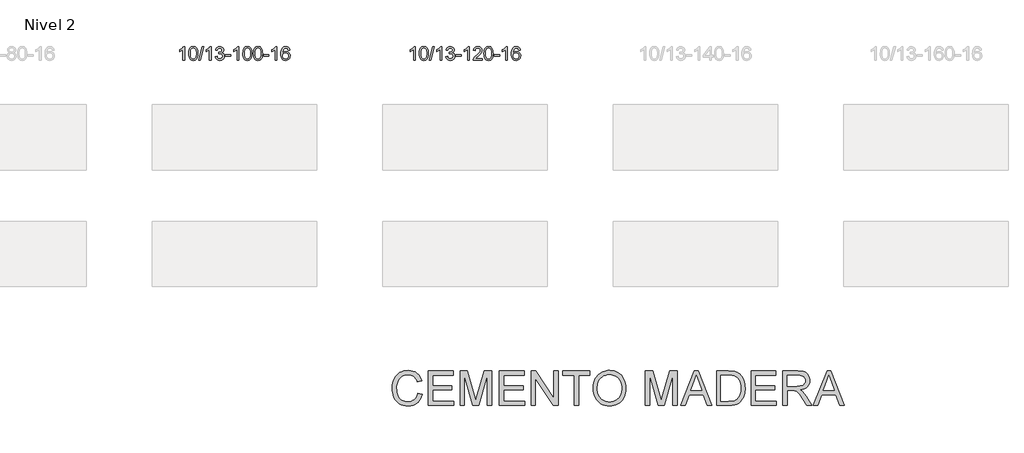
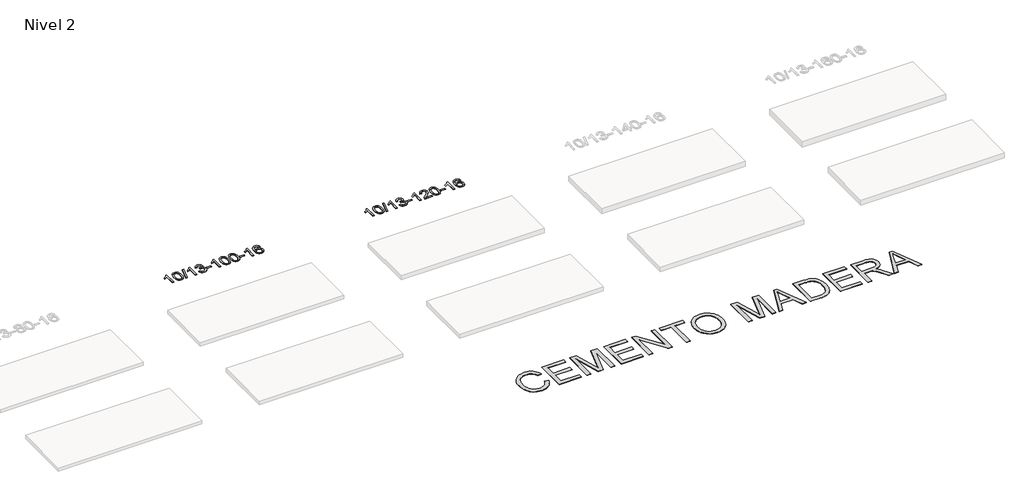
# One storey, part 23 of 51: 3 proxies.
"""IFC4 building model written with IfcOpenShell, lengths in millimetres."""

from ifc_helpers import new_model, si_unit, frame, origin, place, context, project, spatial, polyline, outline, extrude, element, save

model = new_model("IFC4")

# Units and contexts
model_context = context("Model", 3, world=origin())
ifc_project = project(units=[si_unit("LENGTHUNIT", "METRE", prefix="MILLI")], contexts=[model_context])

# Site, building, storey
site = spatial("IfcSite", under=ifc_project)
building = spatial("IfcBuilding", under=site)
storey = spatial("IfcBuildingStorey", under=building, Name="Nivel 2", Elevation=3000.0)

# Proxies
placement = place(None, origin())
element("IfcBuildingElementProxy", 1, Name="Texto de modelo 1", ObjectType="Texto de modelo 1", at=placement, inside=storey, context=model_context, shape_type="SweptSolid", body=[
    extrude(outline(polyline([(17714.5438724, -117522.2088613), (17664.3157174, -117522.2088613), (17664.3157174, -117209.067707), (17643.3464436, -117226.027067), (17616.7363126, -117242.9619015), (17563.8594072, -117268.3212337), (17563.8594072, -117220.8399309), (17603.3086198, -117199.3801478), (17637.4848572, -117173.8491374), (17664.4260819, -117146.6994461), (17682.1702568, -117120.3836207), (17714.5438724, -117120.3836207), (17714.5438724, -117522.2088613)])), frame((0.0, 0.0, 3000.0), z_axis=(0.0, 0.0, 1.0), x_axis=(1.0, 0.0, 0.0)), (0.0, 0.0, 1.0), 10.0),
    extrude(outline(polyline([(17833.8357407, -117324.5336026), (17837.5268234, -117260.2155671), (17848.6000715, -117208.9205542), (17866.9451203, -117169.8637491), (17878.8031833, -117154.6303688), (17892.4516053, -117142.2603367), (17907.9363716, -117132.6892735), (17925.3034675, -117125.8527997), (17965.6846478, -117120.3836207), (17996.6357863, -117123.6209823), (18024.3495633, -117133.333067), (18047.526129, -117149.13973), (18064.8656337, -117170.6608267), (18077.9622327, -117197.7124161), (18088.4100814, -117230.1105572), (18095.2526865, -117271.252027), (18097.5335549, -117324.5336026), (18093.8792604, -117388.4837561), (18082.9163769, -117439.6561416), (18064.6816927, -117478.749735), (18052.8512209, -117494.0291005), (18039.2119959, -117506.4635119), (18023.7088355, -117516.0989545), (18006.2865573, -117522.9814135), (17965.6846478, -117528.4873807), (17938.0199218, -117526.0961478), (17913.4944554, -117518.9224488), (17892.1082488, -117506.966284), (17873.8613018, -117490.2276532), (17856.3501188, -117459.9693591), (17843.842131, -117422.267586), (17836.3373383, -117377.1223338), (17833.8357407, -117324.5336026)]), holes=[polyline([(17884.0638958, -117324.4355007), (17885.5354238, -117368.1000279), (17889.9500077, -117403.4442906), (17897.3076476, -117430.4682888), (17907.6083435, -117449.1720226), (17920.0672804, -117461.8976739), (17933.8996434, -117470.9874249), (17949.1054325, -117476.4412755), (17965.6846478, -117478.2592256), (17982.263863, -117476.4351441), (17997.4696522, -117470.9628994), (18011.3020152, -117461.8424916), (18023.7609521, -117449.0739207), (18034.061648, -117430.3395301), (18041.4192879, -117403.3216632), (18045.8338718, -117368.0203201), (18047.3053998, -117324.4355007), (18045.8829227, -117281.9267362), (18041.6154916, -117247.2048072), (18034.5031064, -117220.2697138), (18024.545767, -117201.1214559), (18012.2952966, -117187.7734709), (17998.303518, -117178.2391958), (17982.5704314, -117172.5186308), (17965.0960366, -117170.6117758), (17948.6026605, -117172.2917703), (17933.6543888, -117177.3317536), (17920.2512214, -117185.7317258), (17908.3931584, -117197.4916869), (17897.749106, -117218.3383333), (17890.1462115, -117246.4445178), (17885.5844747, -117281.8102402), (17884.0638958, -117324.4355007)])]), frame((0.0, 0.0, 3000.0), z_axis=(0.0, 0.0, 1.0), x_axis=(1.0, 0.0, 0.0)), (0.0, 0.0, 1.0), 10.0),
    extrude(outline(polyline([(18116.369113, -117522.2088613), (18229.3824619, -117120.3836207), (18274.7055237, -117120.3836207), (18161.6921748, -117522.2088613), (18116.369113, -117522.2088613)])), frame((0.0, 0.0, 3000.0), z_axis=(0.0, 0.0, 1.0), x_axis=(1.0, 0.0, 0.0)), (0.0, 0.0, 1.0), 10.0),
    extrude(outline(polyline([(18486.8017567, -117522.2088613), (18436.5736016, -117522.2088613), (18436.5736016, -117209.067707), (18415.6043279, -117226.027067), (18388.9941969, -117242.9619015), (18336.1172915, -117268.3212337), (18336.1172915, -117220.8399309), (18375.5665041, -117199.3801478), (18409.7427414, -117173.8491374), (18436.6839662, -117146.6994461), (18454.4281411, -117120.3836207), (18486.8017567, -117120.3836207), (18486.8017567, -117522.2088613)])), frame((0.0, 0.0, 3000.0), z_axis=(0.0, 0.0, 1.0), x_axis=(1.0, 0.0, 0.0)), (0.0, 0.0, 1.0), 10.0),
    extrude(outline(polyline([(18606.093625, -117415.4740318), (18656.3217801, -117409.1955124), (18667.5667064, -117440.7597876), (18684.035557, -117462.0724179), (18706.5376724, -117474.2125237), (18735.8823929, -117478.2592256), (18770.3161476, -117472.6919448), (18784.5899691, -117465.7328437), (18796.9017532, -117455.9901022), (18813.8979013, -117431.0722284), (18819.5632841, -117400.8568539), (18813.9469523, -117372.174321), (18797.0979569, -117348.9119161), (18771.5914719, -117333.4976605), (18740.0026712, -117328.3595753), (18704.7841016, -117333.8532798), (18710.3759079, -117283.6251247), (18718.4202609, -117284.2137359), (18748.5130081, -117280.6084924), (18775.4174446, -117269.7927617), (18786.4906927, -117261.6135187), (18794.4001556, -117251.4967638), (18799.1458333, -117239.4424971), (18800.7277259, -117225.4507186), (18796.1414637, -117203.7579436), (18782.3826771, -117186.1609215), (18761.3888779, -117174.4990622), (18735.097578, -117170.6117758), (18708.7572271, -117174.5358504), (18687.2238677, -117186.3080743), (18671.5030437, -117205.9284474), (18662.6002995, -117233.3969697), (18612.3721444, -117227.1184503), (18618.3257013, -117203.1386756), (18627.1610006, -117182.0161177), (18638.8780421, -117163.7507766), (18653.476826, -117148.3426524), (18670.4974996, -117136.110576), (18689.4802106, -117127.3733786), (18710.4249588, -117122.1310602), (18733.3317444, -117120.3836207), (18764.9082823, -117123.8294488), (18793.9096463, -117134.1669328), (18818.3615362, -117150.4763679), (18836.2896521, -117171.8380491), (18847.2893238, -117196.4493546), (18850.955881, -117222.5076626), (18847.4732648, -117246.7878743), (18837.0254161, -117268.8117431), (18819.7594878, -117287.5737248), (18795.8226326, -117302.0682754), (18827.2642805, -117314.772467), (18850.5634735, -117336.4039283), (18864.9844477, -117365.785437), (18869.7914391, -117401.7397707), (18867.3879434, -117427.2217302), (18860.1774563, -117450.6926015), (18848.1599778, -117472.1523845), (18831.3355079, -117491.6010793), (18810.8383494, -117507.7388362), (18787.8028052, -117519.2658054), (18762.2288751, -117526.1819869), (18734.1165593, -117528.4873807), (18708.7081762, -117526.519212), (18685.556136, -117520.614706), (18664.6604386, -117510.7738627), (18646.0210842, -117496.9966819), (18630.3922308, -117480.0925043), (18618.5280364, -117460.87067), (18610.4285012, -117439.3311792), (18606.093625, -117415.4740318)])), frame((0.0, 0.0, 3000.0), z_axis=(0.0, 0.0, 1.0), x_axis=(1.0, 0.0, 0.0)), (0.0, 0.0, 1.0), 10.0),
    extrude(outline(polyline([(18901.1840361, -117402.916993), (18901.1840361, -117352.688838), (19058.1470207, -117352.688838), (19058.1470207, -117402.916993), (18901.1840361, -117402.916993)])), frame((0.0, 0.0, 3000.0), z_axis=(0.0, 0.0, 1.0), x_axis=(1.0, 0.0, 0.0)), (0.0, 0.0, 1.0), 10.0),
    extrude(outline(polyline([(19290.4522379, -117522.2088613), (19240.2240828, -117522.2088613), (19240.2240828, -117209.067707), (19219.2548091, -117226.027067), (19192.6446781, -117242.9619015), (19139.7677727, -117268.3212337), (19139.7677727, -117220.8399309), (19179.2169853, -117199.3801478), (19213.3932226, -117173.8491374), (19240.3344474, -117146.6994461), (19258.0786223, -117120.3836207), (19290.4522379, -117120.3836207), (19290.4522379, -117522.2088613)])), frame((0.0, 0.0, 3000.0), z_axis=(0.0, 0.0, 1.0), x_axis=(1.0, 0.0, 0.0)), (0.0, 0.0, 1.0), 10.0),
    extrude(outline(polyline([(19409.7441062, -117324.5336026), (19413.4351889, -117260.2155671), (19424.5084369, -117208.9205542), (19442.8534858, -117169.8637491), (19454.7115487, -117154.6303688), (19468.3599708, -117142.2603367), (19483.8447371, -117132.6892735), (19501.2118329, -117125.8527997), (19541.5930133, -117120.3836207), (19572.5441518, -117123.6209823), (19600.2579288, -117133.333067), (19623.4344945, -117149.13973), (19640.7739992, -117170.6608267), (19653.8705982, -117197.7124161), (19664.3184469, -117230.1105572), (19671.161052, -117271.252027), (19673.4419203, -117324.5336026), (19669.7876259, -117388.4837561), (19658.8247424, -117439.6561416), (19640.5900582, -117478.749735), (19628.7595863, -117494.0291005), (19615.1203614, -117506.4635119), (19599.617201, -117516.0989545), (19582.1949228, -117522.9814135), (19541.5930133, -117528.4873807), (19513.9282872, -117526.0961478), (19489.4028209, -117518.9224488), (19468.0166142, -117506.966284), (19449.7696673, -117490.2276532), (19432.2584843, -117459.9693591), (19419.7504965, -117422.267586), (19412.2457038, -117377.1223338), (19409.7441062, -117324.5336026)]), holes=[polyline([(19459.9722613, -117324.4355007), (19461.4437893, -117368.1000279), (19465.8583732, -117403.4442906), (19473.2160131, -117430.4682888), (19483.516709, -117449.1720226), (19495.9756459, -117461.8976739), (19509.8080089, -117470.9874249), (19525.013798, -117476.4412755), (19541.5930133, -117478.2592256), (19558.1722285, -117476.4351441), (19573.3780177, -117470.9628994), (19587.2103807, -117461.8424916), (19599.6693176, -117449.0739207), (19609.9700134, -117430.3395301), (19617.3276533, -117403.3216632), (19621.7422373, -117368.0203201), (19623.2137653, -117324.4355007), (19621.7912882, -117281.9267362), (19617.5238571, -117247.2048072), (19610.4114718, -117220.2697138), (19600.4541325, -117201.1214559), (19588.2036621, -117187.7734709), (19574.2118835, -117178.2391958), (19558.4787968, -117172.5186308), (19541.0044021, -117170.6117758), (19524.511026, -117172.2917703), (19509.5627542, -117177.3317536), (19496.1595869, -117185.7317258), (19484.3015239, -117197.4916869), (19473.6574715, -117218.3383333), (19466.0545769, -117246.4445178), (19461.4928402, -117281.8102402), (19459.9722613, -117324.4355007)])]), frame((0.0, 0.0, 3000.0), z_axis=(0.0, 0.0, 1.0), x_axis=(1.0, 0.0, 0.0)), (0.0, 0.0, 1.0), 10.0),
    extrude(outline(polyline([(19717.391556, -117324.5336026), (19721.0826387, -117260.2155671), (19732.1558868, -117208.9205542), (19750.5009356, -117169.8637491), (19762.3589986, -117154.6303688), (19776.0074206, -117142.2603367), (19791.4921869, -117132.6892735), (19808.8592828, -117125.8527997), (19849.2404631, -117120.3836207), (19880.1916016, -117123.6209823), (19907.9053786, -117133.333067), (19931.0819443, -117149.13973), (19948.421449, -117170.6608267), (19961.518048, -117197.7124161), (19971.9658967, -117230.1105572), (19978.8085018, -117271.252027), (19981.0893702, -117324.5336026), (19977.4350757, -117388.4837561), (19966.4721922, -117439.6561416), (19948.237508, -117478.749735), (19936.4070362, -117494.0291005), (19922.7678112, -117506.4635119), (19907.2646508, -117516.0989545), (19889.8423726, -117522.9814135), (19849.2404631, -117528.4873807), (19821.5757371, -117526.0961478), (19797.0502707, -117518.9224488), (19775.6640641, -117506.966284), (19757.4171171, -117490.2276532), (19739.9059341, -117459.9693591), (19727.3979463, -117422.267586), (19719.8931536, -117377.1223338), (19717.391556, -117324.5336026)]), holes=[polyline([(19767.6197111, -117324.4355007), (19769.0912391, -117368.1000279), (19773.505823, -117403.4442906), (19780.8634629, -117430.4682888), (19791.1641588, -117449.1720226), (19803.6230957, -117461.8976739), (19817.4554587, -117470.9874249), (19832.6612479, -117476.4412755), (19849.2404631, -117478.2592256), (19865.8196784, -117476.4351441), (19881.0254675, -117470.9628994), (19894.8578305, -117461.8424916), (19907.3167674, -117449.0739207), (19917.6174633, -117430.3395301), (19924.9751032, -117403.3216632), (19929.3896871, -117368.0203201), (19930.8612151, -117324.4355007), (19929.4387381, -117281.9267362), (19925.1713069, -117247.2048072), (19918.0589217, -117220.2697138), (19908.1015823, -117201.1214559), (19895.8511119, -117187.7734709), (19881.8593333, -117178.2391958), (19866.1262467, -117172.5186308), (19848.6518519, -117170.6117758), (19832.1584758, -117172.2917703), (19817.2102041, -117177.3317536), (19803.8070367, -117185.7317258), (19791.9489737, -117197.4916869), (19781.3049213, -117218.3383333), (19773.7020268, -117246.4445178), (19769.14029, -117281.8102402), (19767.6197111, -117324.4355007)])]), frame((0.0, 0.0, 3000.0), z_axis=(0.0, 0.0, 1.0), x_axis=(1.0, 0.0, 0.0)), (0.0, 0.0, 1.0), 10.0),
    extrude(outline(polyline([(20012.4819671, -117402.916993), (20012.4819671, -117352.688838), (20169.4449517, -117352.688838), (20169.4449517, -117402.916993), (20012.4819671, -117402.916993)])), frame((0.0, 0.0, 3000.0), z_axis=(0.0, 0.0, 1.0), x_axis=(1.0, 0.0, 0.0)), (0.0, 0.0, 1.0), 10.0),
    extrude(outline(polyline([(20401.7501689, -117522.2088613), (20351.5220139, -117522.2088613), (20351.5220139, -117209.067707), (20330.5527401, -117226.027067), (20303.9426091, -117242.9619015), (20251.0657037, -117268.3212337), (20251.0657037, -117220.8399309), (20290.5149163, -117199.3801478), (20324.6911537, -117173.8491374), (20351.6323785, -117146.6994461), (20369.3765534, -117120.3836207), (20401.7501689, -117120.3836207), (20401.7501689, -117522.2088613)])), frame((0.0, 0.0, 3000.0), z_axis=(0.0, 0.0, 1.0), x_axis=(1.0, 0.0, 0.0)), (0.0, 0.0, 1.0), 10.0),
    extrude(outline(polyline([(20778.461332, -117227.1184503), (20728.2331769, -117233.3969697), (20720.139773, -117208.5036213), (20709.201415, -117191.5074731), (20686.4172568, -117175.8357001), (20658.8751581, -117170.6117758), (20635.5269141, -117173.6529336), (20613.5520963, -117182.7764071), (20594.6797499, -117201.99211), (20579.2654943, -117228.4428255), (20568.8544339, -117265.8564244), (20564.9916729, -117317.9607776), (20585.1393435, -117294.4531181), (20609.2846651, -117277.8861656), (20636.0787371, -117268.0637163), (20664.1726588, -117264.7895666), (20688.3057177, -117267.0275154), (20710.5748411, -117273.7413618), (20730.9800291, -117284.9311058), (20749.5212817, -117300.5967474), (20764.9294059, -117319.806319), (20775.935209, -117341.6278526), (20782.5386908, -117366.0613485), (20784.7398514, -117393.1068065), (20780.5950476, -117429.0734029), (20768.1606361, -117462.4157744), (20748.4666866, -117490.6936371), (20722.5432687, -117511.4667071), (20691.5676047, -117524.2322123), (20656.7169171, -117528.4873807), (20626.7743883, -117525.6669521), (20599.731996, -117517.2056662), (20575.5897401, -117503.1035231), (20554.3476205, -117483.3605226), (20537.0295756, -117457.1427991), (20524.6595435, -117423.6164866), (20517.2375243, -117382.7815852), (20514.7635178, -117334.6380947), (20517.5103701, -117280.6636747), (20525.7509268, -117234.5987175), (20539.4851879, -117196.4432232), (20558.7131535, -117166.1971919), (20579.5536686, -117146.1537545), (20603.7173843, -117131.8370135), (20631.2043007, -117123.2469689), (20662.0144178, -117120.3836207), (20685.1480639, -117122.1555857), (20706.0866808, -117127.4714805), (20724.8302685, -117136.3313052), (20741.3788269, -117148.7350598), (20755.2847663, -117164.2658114), (20766.100497, -117182.506627), (20773.8260188, -117203.4575066), (20778.461332, -117227.1184503)]), holes=[polyline([(20564.9916729, -117392.3219916), (20567.8979407, -117414.5788523), (20576.616744, -117435.8301689), (20590.1548014, -117454.1016413), (20607.5188316, -117467.4189695), (20628.4758426, -117475.5491616), (20652.7928424, -117478.2592256), (20685.9390102, -117472.6428939), (20699.8541467, -117465.6224791), (20711.9973182, -117455.7938985), (20721.8473586, -117443.5556908), (20728.8831018, -117429.3063948), (20734.5116963, -117394.7745382), (20728.9566782, -117361.6283704), (20722.0129055, -117348.0075396), (20712.2916238, -117336.3548774), (20700.1116641, -117327.0198717), (20685.7918574, -117320.3520106), (20650.7327033, -117315.0177217), (20617.6355864, -117320.3520106), (20589.9585977, -117336.3548774), (20579.0355681, -117347.8542554), (20571.2334041, -117361.0152338), (20566.5521057, -117375.8378125), (20564.9916729, -117392.3219916)])]), frame((0.0, 0.0, 3000.0), z_axis=(0.0, 0.0, 1.0), x_axis=(1.0, 0.0, 0.0)), (0.0, 0.0, 1.0), 10.0),
])
element("IfcBuildingElementProxy", 2, Name="Texto de modelo 1", ObjectType="Texto de modelo 1", at=placement, inside=storey, context=model_context, shape_type="SweptSolid", body=[
    extrude(outline(polyline([(24429.4844072, -117522.2088613), (24379.2562522, -117522.2088613), (24379.2562522, -117209.067707), (24358.2869784, -117226.027067), (24331.6768475, -117242.9619015), (24278.799942, -117268.3212337), (24278.799942, -117220.8399309), (24318.2491546, -117199.3801478), (24352.425392, -117173.8491374), (24379.3666168, -117146.6994461), (24397.1107917, -117120.3836207), (24429.4844072, -117120.3836207), (24429.4844072, -117522.2088613)])), frame((0.0, 0.0, 3000.0), z_axis=(0.0, 0.0, 1.0), x_axis=(1.0, 0.0, 0.0)), (0.0, 0.0, 1.0), 10.0),
    extrude(outline(polyline([(24548.7762756, -117324.5336026), (24552.4673582, -117260.2155671), (24563.5406063, -117208.9205542), (24581.8856551, -117169.8637491), (24593.7437181, -117154.6303688), (24607.3921401, -117142.2603367), (24622.8769064, -117132.6892735), (24640.2440023, -117125.8527997), (24680.6251826, -117120.3836207), (24711.5763212, -117123.6209823), (24739.2900981, -117133.333067), (24762.4666638, -117149.13973), (24779.8061685, -117170.6608267), (24792.9027676, -117197.7124161), (24803.3506162, -117230.1105572), (24810.1932213, -117271.252027), (24812.4740897, -117324.5336026), (24808.8197952, -117388.4837561), (24797.8569118, -117439.6561416), (24779.6222275, -117478.749735), (24767.7917557, -117494.0291005), (24754.1525307, -117506.4635119), (24738.6493703, -117516.0989545), (24721.2270922, -117522.9814135), (24680.6251826, -117528.4873807), (24652.9604566, -117526.0961478), (24628.4349902, -117518.9224488), (24607.0487836, -117506.966284), (24588.8018366, -117490.2276532), (24571.2906537, -117459.9693591), (24558.7826658, -117422.267586), (24551.2778731, -117377.1223338), (24548.7762756, -117324.5336026)]), holes=[polyline([(24599.0044306, -117324.4355007), (24600.4759586, -117368.1000279), (24604.8905425, -117403.4442906), (24612.2481825, -117430.4682888), (24622.5488783, -117449.1720226), (24635.0078152, -117461.8976739), (24648.8401782, -117470.9874249), (24664.0459674, -117476.4412755), (24680.6251826, -117478.2592256), (24697.2043979, -117476.4351441), (24712.410187, -117470.9628994), (24726.24255, -117461.8424916), (24738.7014869, -117449.0739207), (24749.0021828, -117430.3395301), (24756.3598227, -117403.3216632), (24760.7744066, -117368.0203201), (24762.2459346, -117324.4355007), (24760.8234576, -117281.9267362), (24756.5560264, -117247.2048072), (24749.4436412, -117220.2697138), (24739.4863019, -117201.1214559), (24727.2358314, -117187.7734709), (24713.2440529, -117178.2391958), (24697.5109662, -117172.5186308), (24680.0365714, -117170.6117758), (24663.5431953, -117172.2917703), (24648.5949236, -117177.3317536), (24635.1917562, -117185.7317258), (24623.3336932, -117197.4916869), (24612.6896408, -117218.3383333), (24605.0867463, -117246.4445178), (24600.5250095, -117281.8102402), (24599.0044306, -117324.4355007)])]), frame((0.0, 0.0, 3000.0), z_axis=(0.0, 0.0, 1.0), x_axis=(1.0, 0.0, 0.0)), (0.0, 0.0, 1.0), 10.0),
    extrude(outline(polyline([(24831.3096478, -117522.2088613), (24944.3229968, -117120.3836207), (24989.6460586, -117120.3836207), (24876.6327097, -117522.2088613), (24831.3096478, -117522.2088613)])), frame((0.0, 0.0, 3000.0), z_axis=(0.0, 0.0, 1.0), x_axis=(1.0, 0.0, 0.0)), (0.0, 0.0, 1.0), 10.0),
    extrude(outline(polyline([(25201.7422915, -117522.2088613), (25151.5141364, -117522.2088613), (25151.5141364, -117209.067707), (25130.5448627, -117226.027067), (25103.9347317, -117242.9619015), (25051.0578263, -117268.3212337), (25051.0578263, -117220.8399309), (25090.5070389, -117199.3801478), (25124.6832763, -117173.8491374), (25151.624501, -117146.6994461), (25169.3686759, -117120.3836207), (25201.7422915, -117120.3836207), (25201.7422915, -117522.2088613)])), frame((0.0, 0.0, 3000.0), z_axis=(0.0, 0.0, 1.0), x_axis=(1.0, 0.0, 0.0)), (0.0, 0.0, 1.0), 10.0),
    extrude(outline(polyline([(25321.0341598, -117415.4740318), (25371.2623149, -117409.1955124), (25382.5072412, -117440.7597876), (25398.9760919, -117462.0724179), (25421.4782072, -117474.2125237), (25450.8229277, -117478.2592256), (25485.2566825, -117472.6919448), (25499.5305039, -117465.7328437), (25511.842288, -117455.9901022), (25528.8384362, -117431.0722284), (25534.5038189, -117400.8568539), (25528.8874871, -117372.174321), (25512.0384917, -117348.9119161), (25486.5320067, -117333.4976605), (25454.9432061, -117328.3595753), (25419.7246364, -117333.8532798), (25425.3164427, -117283.6251247), (25433.3607957, -117284.2137359), (25463.4535429, -117280.6084924), (25490.3579795, -117269.7927617), (25501.4312275, -117261.6135187), (25509.3406904, -117251.4967638), (25514.0863682, -117239.4424971), (25515.6682607, -117225.4507186), (25511.0819985, -117203.7579436), (25497.3232119, -117186.1609215), (25476.3294127, -117174.4990622), (25450.0381128, -117170.6117758), (25423.6977619, -117174.5358504), (25402.1644025, -117186.3080743), (25386.4435786, -117205.9284474), (25377.5408343, -117233.3969697), (25327.3126792, -117227.1184503), (25333.2662362, -117203.1386756), (25342.1015354, -117182.0161177), (25353.818577, -117163.7507766), (25368.4173608, -117148.3426524), (25385.4380344, -117136.110576), (25404.4207454, -117127.3733786), (25425.3654937, -117122.1310602), (25448.2722792, -117120.3836207), (25479.8488171, -117123.8294488), (25508.8501811, -117134.1669328), (25533.302071, -117150.4763679), (25551.2301869, -117171.8380491), (25562.2298586, -117196.4493546), (25565.8964158, -117222.5076626), (25562.4137996, -117246.7878743), (25551.9659509, -117268.8117431), (25534.7000226, -117287.5737248), (25510.7631675, -117302.0682754), (25542.2048153, -117314.772467), (25565.5040084, -117336.4039283), (25579.9249826, -117365.785437), (25584.731974, -117401.7397707), (25582.3284783, -117427.2217302), (25575.1179912, -117450.6926015), (25563.1005127, -117472.1523845), (25546.2760427, -117491.6010793), (25525.7788842, -117507.7388362), (25502.74334, -117519.2658054), (25477.1694099, -117526.1819869), (25449.0570941, -117528.4873807), (25423.648711, -117526.519212), (25400.4966708, -117520.614706), (25379.6009735, -117510.7738627), (25360.961619, -117496.9966819), (25345.3327656, -117480.0925043), (25333.4685713, -117460.87067), (25325.369036, -117439.3311792), (25321.0341598, -117415.4740318)])), frame((0.0, 0.0, 3000.0), z_axis=(0.0, 0.0, 1.0), x_axis=(1.0, 0.0, 0.0)), (0.0, 0.0, 1.0), 10.0),
    extrude(outline(polyline([(25616.1245709, -117402.916993), (25616.1245709, -117352.688838), (25773.0875555, -117352.688838), (25773.0875555, -117402.916993), (25616.1245709, -117402.916993)])), frame((0.0, 0.0, 3000.0), z_axis=(0.0, 0.0, 1.0), x_axis=(1.0, 0.0, 0.0)), (0.0, 0.0, 1.0), 10.0),
    extrude(outline(polyline([(26005.3927727, -117522.2088613), (25955.1646176, -117522.2088613), (25955.1646176, -117209.067707), (25934.1953439, -117226.027067), (25907.5852129, -117242.9619015), (25854.7083075, -117268.3212337), (25854.7083075, -117220.8399309), (25894.1575201, -117199.3801478), (25928.3337575, -117173.8491374), (25955.2749822, -117146.6994461), (25973.0191571, -117120.3836207), (26005.3927727, -117120.3836207), (26005.3927727, -117522.2088613)])), frame((0.0, 0.0, 3000.0), z_axis=(0.0, 0.0, 1.0), x_axis=(1.0, 0.0, 0.0)), (0.0, 0.0, 1.0), 10.0),
    extrude(outline(polyline([(26382.1039358, -117471.9807063), (26382.1039358, -117522.2088613), (26118.4061216, -117522.2088613), (26119.5097676, -117504.5260001), (26123.8017242, -117487.5789029), (26136.1870847, -117460.5150507), (26154.3114044, -117434.260539), (26180.5291279, -117406.779754), (26217.1947001, -117376.0370819), (26271.3959807, -117327.8935915), (26303.9167491, -117292.3561908), (26320.1771333, -117263.5142423), (26325.5972613, -117235.4571088), (26320.4837016, -117210.3062431), (26305.1430224, -117189.398283), (26281.5617865, -117175.3084026), (26251.7265567, -117170.6117758), (26220.3952734, -117175.198038), (26196.0537481, -117188.9568246), (26180.3451869, -117210.8090152), (26174.9127961, -117239.675489), (26124.684641, -117233.3969697), (26129.0041888, -117207.4674204), (26136.8615351, -117184.8120208), (26148.2566799, -117165.430771), (26163.1896232, -117149.323671), (26181.3170085, -117136.662399), (26202.2954793, -117127.6186333), (26226.1250355, -117122.1923739), (26252.8056772, -117120.3836207), (26279.7254422, -117122.394709), (26303.6837571, -117128.4279737), (26324.680622, -117138.4834149), (26342.7160368, -117152.5610326), (26357.2013904, -117169.6184944), (26367.5480715, -117188.6134681), (26373.7560802, -117209.5459536), (26375.8254164, -117232.415951), (26373.593599, -117256.4386453), (26366.8981466, -117280.0444066), (26355.0155582, -117304.0548382), (26337.2223324, -117329.2915431), (26308.8586305, -117359.4210785), (26265.2646141, -117398.1100016), (26207.4826154, -117446.4251703), (26184.8210845, -117471.9807063), (26382.1039358, -117471.9807063)])), frame((0.0, 0.0, 3000.0), z_axis=(0.0, 0.0, 1.0), x_axis=(1.0, 0.0, 0.0)), (0.0, 0.0, 1.0), 10.0),
    extrude(outline(polyline([(26432.3320909, -117324.5336026), (26436.0231735, -117260.2155671), (26447.0964216, -117208.9205542), (26465.4414704, -117169.8637491), (26477.2995334, -117154.6303688), (26490.9479554, -117142.2603367), (26506.4327217, -117132.6892735), (26523.7998176, -117125.8527997), (26564.1809979, -117120.3836207), (26595.1321365, -117123.6209823), (26622.8459134, -117133.333067), (26646.0224791, -117149.13973), (26663.3619838, -117170.6608267), (26676.4585829, -117197.7124161), (26686.9064315, -117230.1105572), (26693.7490366, -117271.252027), (26696.029905, -117324.5336026), (26692.3756105, -117388.4837561), (26681.4127271, -117439.6561416), (26663.1780428, -117478.749735), (26651.347571, -117494.0291005), (26637.708346, -117506.4635119), (26622.2051856, -117516.0989545), (26604.7829075, -117522.9814135), (26564.1809979, -117528.4873807), (26536.5162719, -117526.0961478), (26511.9908055, -117518.9224488), (26490.6045989, -117506.966284), (26472.3576519, -117490.2276532), (26454.846469, -117459.9693591), (26442.3384811, -117422.267586), (26434.8336884, -117377.1223338), (26432.3320909, -117324.5336026)]), holes=[polyline([(26482.5602459, -117324.4355007), (26484.0317739, -117368.1000279), (26488.4463579, -117403.4442906), (26495.8039978, -117430.4682888), (26506.1046936, -117449.1720226), (26518.5636305, -117461.8976739), (26532.3959935, -117470.9874249), (26547.6017827, -117476.4412755), (26564.1809979, -117478.2592256), (26580.7602132, -117476.4351441), (26595.9660023, -117470.9628994), (26609.7983653, -117461.8424916), (26622.2573022, -117449.0739207), (26632.5579981, -117430.3395301), (26639.915638, -117403.3216632), (26644.3302219, -117368.0203201), (26645.8017499, -117324.4355007), (26644.3792729, -117281.9267362), (26640.1118417, -117247.2048072), (26632.9994565, -117220.2697138), (26623.0421172, -117201.1214559), (26610.7916467, -117187.7734709), (26596.7998682, -117178.2391958), (26581.0667815, -117172.5186308), (26563.5923867, -117170.6117758), (26547.0990106, -117172.2917703), (26532.1507389, -117177.3317536), (26518.7475715, -117185.7317258), (26506.8895085, -117197.4916869), (26496.2454562, -117218.3383333), (26488.6425616, -117246.4445178), (26484.0808248, -117281.8102402), (26482.5602459, -117324.4355007)])]), frame((0.0, 0.0, 3000.0), z_axis=(0.0, 0.0, 1.0), x_axis=(1.0, 0.0, 0.0)), (0.0, 0.0, 1.0), 10.0),
    extrude(outline(polyline([(26727.4225019, -117402.916993), (26727.4225019, -117352.688838), (26884.3854865, -117352.688838), (26884.3854865, -117402.916993), (26727.4225019, -117402.916993)])), frame((0.0, 0.0, 3000.0), z_axis=(0.0, 0.0, 1.0), x_axis=(1.0, 0.0, 0.0)), (0.0, 0.0, 1.0), 10.0),
    extrude(outline(polyline([(27116.6907038, -117522.2088613), (27066.4625487, -117522.2088613), (27066.4625487, -117209.067707), (27045.493275, -117226.027067), (27018.883144, -117242.9619015), (26966.0062385, -117268.3212337), (26966.0062385, -117220.8399309), (27005.4554511, -117199.3801478), (27039.6316885, -117173.8491374), (27066.5729133, -117146.6994461), (27084.3170882, -117120.3836207), (27116.6907038, -117120.3836207), (27116.6907038, -117522.2088613)])), frame((0.0, 0.0, 3000.0), z_axis=(0.0, 0.0, 1.0), x_axis=(1.0, 0.0, 0.0)), (0.0, 0.0, 1.0), 10.0),
    extrude(outline(polyline([(27493.4018668, -117227.1184503), (27443.1737117, -117233.3969697), (27435.0803078, -117208.5036213), (27424.1419499, -117191.5074731), (27401.3577916, -117175.8357001), (27373.8156929, -117170.6117758), (27350.467449, -117173.6529336), (27328.4926311, -117182.7764071), (27309.6202848, -117201.99211), (27294.2060292, -117228.4428255), (27283.7949687, -117265.8564244), (27279.9322077, -117317.9607776), (27300.0798783, -117294.4531181), (27324.2252, -117277.8861656), (27351.0192719, -117268.0637163), (27379.1131936, -117264.7895666), (27403.2462525, -117267.0275154), (27425.515376, -117273.7413618), (27445.920564, -117284.9311058), (27464.4618165, -117300.5967474), (27479.8699408, -117319.806319), (27490.8757438, -117341.6278526), (27497.4792256, -117366.0613485), (27499.6803862, -117393.1068065), (27495.5355824, -117429.0734029), (27483.1011709, -117462.4157744), (27463.4072215, -117490.6936371), (27437.4838035, -117511.4667071), (27406.5081396, -117524.2322123), (27371.6574519, -117528.4873807), (27341.7149232, -117525.6669521), (27314.6725308, -117517.2056662), (27290.5302749, -117503.1035231), (27269.2881554, -117483.3605226), (27251.9701104, -117457.1427991), (27239.6000783, -117423.6164866), (27232.1780591, -117382.7815852), (27229.7040527, -117334.6380947), (27232.4509049, -117280.6636747), (27240.6914616, -117234.5987175), (27254.4257227, -117196.4432232), (27273.6536884, -117166.1971919), (27294.4942034, -117146.1537545), (27318.6579191, -117131.8370135), (27346.1448355, -117123.2469689), (27376.9549526, -117120.3836207), (27400.0885987, -117122.1555857), (27421.0272156, -117127.4714805), (27439.7708033, -117136.3313052), (27456.3193617, -117148.7350598), (27470.2253011, -117164.2658114), (27481.0410318, -117182.506627), (27488.7665537, -117203.4575066), (27493.4018668, -117227.1184503)]), holes=[polyline([(27279.9322077, -117392.3219916), (27282.8384755, -117414.5788523), (27291.5572788, -117435.8301689), (27305.0953362, -117454.1016413), (27322.4593664, -117467.4189695), (27343.4163774, -117475.5491616), (27367.7333773, -117478.2592256), (27400.879545, -117472.6428939), (27414.7946815, -117465.6224791), (27426.937853, -117455.7938985), (27436.7878934, -117443.5556908), (27443.8236366, -117429.3063948), (27449.4522311, -117394.7745382), (27443.897213, -117361.6283704), (27436.9534403, -117348.0075396), (27427.2321586, -117336.3548774), (27415.0521989, -117327.0198717), (27400.7323922, -117320.3520106), (27365.6732381, -117315.0177217), (27332.5761213, -117320.3520106), (27304.8991325, -117336.3548774), (27293.9761029, -117347.8542554), (27286.1739389, -117361.0152338), (27281.4926405, -117375.8378125), (27279.9322077, -117392.3219916)])]), frame((0.0, 0.0, 3000.0), z_axis=(0.0, 0.0, 1.0), x_axis=(1.0, 0.0, 0.0)), (0.0, 0.0, 1.0), 10.0),
])
element("IfcBuildingElementProxy", 3, Name="Texto de modelo 2", ObjectType="Texto de modelo 2", at=placement, inside=storey, context=model_context, shape_type="SweptSolid", body=[
    extrude(outline(polyline([(24509.6528533, -127231.9655949), (24635.2232409, -127264.3392104), (24610.3758779, -127342.4298281), (24577.2818267, -127410.664274), (24535.9410875, -127469.0425481), (24512.1782099, -127494.5356208), (24486.3536602, -127517.5646504), (24429.6385193, -127555.7094148), (24366.9146391, -127582.9556751), (24298.1820197, -127599.3034313), (24223.440661, -127604.7526833), (24146.8675566, -127600.6293393), (24077.7900478, -127588.2593072), (24016.2081346, -127567.642587), (23962.1218171, -127538.7791788), (23914.7876671, -127502.0982782), (23873.4622563, -127458.0290809), (23838.1455847, -127406.5715868), (23808.8376524, -127347.725796), (23785.8220351, -127284.0362256), (23769.3823085, -127218.0473927), (23759.5184725, -127149.7592974), (23756.2305271, -127079.1719395), (23759.9476681, -127003.4342338), (23771.0990911, -126932.6935918), (23789.6847961, -126866.9500136), (23815.704783, -126806.2034991), (23848.5765721, -126751.4580597), (23887.7176836, -126703.7177066), (23933.1281174, -126662.9824399), (23984.8078735, -126629.2522594), (24041.0018482, -126602.8030768), (24099.954938, -126583.9108035), (24161.6671427, -126572.5754395), (24226.1384623, -126568.7969849), (24297.9597577, -126573.6867497), (24363.818299, -126588.3560443), (24423.7140863, -126612.8048686), (24477.6471197, -126647.0332225), (24524.7283509, -126690.1367296), (24564.0687317, -126741.2110133), (24595.6682623, -126800.2560735), (24619.5269425, -126867.2719103), (24493.9565548, -126897.1929792), (24474.1828976, -126847.8124856), (24450.423852, -126805.6210193), (24422.6794182, -126770.6185803), (24390.9495962, -126742.8051686), (24355.0504448, -126721.6136328), (24314.7980231, -126706.4768216), (24270.1923312, -126697.3947348), (24221.233369, -126694.3673726), (24164.9014385, -126697.7242958), (24113.3826308, -126707.7950654), (24066.6769458, -126724.5796814), (24024.7843836, -126748.0781439), (23988.2337746, -126777.232792), (23957.553949, -126810.985965), (23932.7449069, -126849.337663), (23913.8066484, -126892.287886), (23899.80414, -126937.889925), (23889.8023482, -126984.1970711), (23883.8012732, -127031.2093244), (23881.8009148, -127078.9266849), (23884.1691552, -127138.8914501), (23891.2738762, -127194.9321407), (23903.1150779, -127247.0487567), (23919.6927603, -127295.241298), (23941.2751707, -127338.5517388), (23968.1305564, -127376.0220528), (24000.2589173, -127407.6522402), (24037.6602534, -127433.4423009), (24078.5181475, -127453.4535486), (24121.0161822, -127467.7472969), (24165.1543574, -127476.3235459), (24210.9326732, -127479.1822956), (24265.5248284, -127475.2888778), (24315.748385, -127463.6086245), (24361.6033428, -127444.1415356), (24403.089702, -127416.8876111), (24439.2264438, -127381.9694784), (24469.0325496, -127339.5097648), (24492.5080194, -127289.5084703), (24509.6528533, -127231.9655949)])), frame((0.0, 0.0, 3000.0), z_axis=(0.0, 0.0, 1.0), x_axis=(1.0, 0.0, 0.0)), (0.0, 0.0, 1.0), 10.0),
    extrude(outline(polyline([(24807.882524, -127589.0563848), (24807.882524, -126584.4932833), (25529.9122532, -126584.4932833), (25529.9122532, -126710.063671), (24933.4529117, -126710.063671), (24933.4529117, -127008.2933418), (25498.5196563, -127008.2933418), (25498.5196563, -127133.8637295), (24933.4529117, -127133.8637295), (24933.4529117, -127463.4859972), (25545.6085517, -127463.4859972), (25545.6085517, -127589.0563848), (24807.882524, -127589.0563848)])), frame((0.0, 0.0, 3000.0), z_axis=(0.0, 0.0, 1.0), x_axis=(1.0, 0.0, 0.0)), (0.0, 0.0, 1.0), 10.0),
    extrude(outline(polyline([(25733.9641332, -127589.0563848), (25733.9641332, -126584.4932833), (25950.0334917, -126584.4932833), (26155.5568997, -127292.5434967), (26197.0049378, -127440.4320588), (26241.8865412, -127280.2807636), (26443.9763839, -126584.4932833), (26660.0457424, -126584.4932833), (26660.0457424, -127589.0563848), (26534.4753547, -127589.0563848), (26534.4753547, -126710.063671), (26282.108306, -127589.0563848), (26111.9015696, -127589.0563848), (25859.5345209, -126710.063671), (25859.5345209, -127589.0563848), (25733.9641332, -127589.0563848)])), frame((0.0, 0.0, 3000.0), z_axis=(0.0, 0.0, 1.0), x_axis=(1.0, 0.0, 0.0)), (0.0, 0.0, 1.0), 10.0),
    extrude(outline(polyline([(26879.7939209, -127589.0563848), (26879.7939209, -126584.4932833), (27601.8236501, -126584.4932833), (27601.8236501, -126710.063671), (27005.3643085, -126710.063671), (27005.3643085, -127008.2933418), (27570.4310531, -127008.2933418), (27570.4310531, -127133.8637295), (27005.3643085, -127133.8637295), (27005.3643085, -127463.4859972), (27617.5199485, -127463.4859972), (27617.5199485, -127589.0563848), (26879.7939209, -127589.0563848)])), frame((0.0, 0.0, 3000.0), z_axis=(0.0, 0.0, 1.0), x_axis=(1.0, 0.0, 0.0)), (0.0, 0.0, 1.0), 10.0),
    extrude(outline(polyline([(27805.87553, -127589.0563848), (27805.87553, -126584.4932833), (27940.2750856, -126584.4932833), (28465.1200654, -127380.3446662), (28465.1200654, -126584.4932833), (28590.6904531, -126584.4932833), (28590.6904531, -127589.0563848), (28456.2908975, -127589.0563848), (27931.4459177, -126792.9597473), (27931.4459177, -127589.0563848), (27805.87553, -127589.0563848)])), frame((0.0, 0.0, 3000.0), z_axis=(0.0, 0.0, 1.0), x_axis=(1.0, 0.0, 0.0)), (0.0, 0.0, 1.0), 10.0),
    extrude(outline(polyline([(29061.5794069, -127589.0563848), (29061.5794069, -126710.063671), (28731.9571392, -126710.063671), (28731.9571392, -126584.4932833), (29516.7720623, -126584.4932833), (29516.7720623, -126710.063671), (29187.1497946, -126710.063671), (29187.1497946, -127589.0563848), (29061.5794069, -127589.0563848)])), frame((0.0, 0.0, 3000.0), z_axis=(0.0, 0.0, 1.0), x_axis=(1.0, 0.0, 0.0)), (0.0, 0.0, 1.0), 10.0),
    extrude(outline(polyline([(29610.949853, -127100.0185859), (29613.0421819, -127039.4138593), (29619.3191684, -126982.1890485), (29629.7808127, -126928.3441536), (29644.4271146, -126877.8791745), (29663.2580742, -126830.7941112), (29686.2736916, -126787.0889638), (29713.4739666, -126746.7637322), (29744.8588993, -126709.8184164), (29779.5509379, -126676.7665184), (29816.6725304, -126648.1215401), (29856.223677, -126623.8834816), (29898.2043776, -126604.0523428), (29942.6146322, -126588.6281237), (29989.4544408, -126577.6108244), (30038.7238035, -126571.0004448), (30090.4227201, -126568.7969849), (30158.0057083, -126572.9356573), (30222.185788, -126585.3516747), (30282.9629593, -126606.0450369), (30340.3372221, -126635.015744), (30392.6990928, -126671.3900763), (30438.4390875, -126714.294314), (30477.5572064, -126763.7284571), (30510.0534493, -126819.6925056), (30535.5905911, -126880.914201), (30553.8314067, -126946.1212846), (30564.775896, -127015.3137565), (30568.4240592, -127088.4916167), (30564.5842908, -127162.6351672), (30553.0649859, -127232.7626725), (30533.8661442, -127298.8741327), (30506.987766, -127360.9695478), (30473.0659803, -127417.4087773), (30432.7369166, -127466.5516804), (30386.0005748, -127508.3982574), (30332.8569549, -127542.9485081), (30275.3983858, -127569.9878348), (30215.7171963, -127589.3016395), (30153.8133864, -127600.8899224), (30089.6869561, -127604.7526833), (30020.9236798, -127600.4837193), (29955.9005372, -127587.6768274), (29894.6175282, -127566.3320074), (29837.0746527, -127536.4492595), (29784.7740958, -127499.1858791), (29739.218042, -127455.6991616), (29700.4064915, -127405.989107), (29668.3394443, -127350.0557153), (29643.2314981, -127290.1445996), (29625.2972509, -127228.5013727), (29614.5367025, -127165.1260349), (29610.949853, -127100.0185859)]), holes=[polyline([(29736.5202407, -127101.2448592), (29738.0894874, -127144.0379659), (29742.7972273, -127184.4934891), (29750.6434605, -127222.6114287), (29761.6281869, -127258.3917848), (29775.7514066, -127291.8345575), (29793.0131196, -127322.9397466), (29813.4133259, -127351.7073522), (29836.9520254, -127378.1373743), (29862.8589653, -127401.8197777), (29890.3638926, -127422.3445274), (29919.4668073, -127439.7116232), (29950.1677094, -127453.9210653), (29982.466599, -127464.9728536), (30016.3634759, -127472.866988), (30051.8583403, -127477.6034687), (30088.9511921, -127479.1822956), (30126.7223263, -127477.5881403), (30162.78051, -127472.8056744), (30197.1257432, -127464.8348978), (30229.7580258, -127453.6758106), (30260.6773578, -127439.3284128), (30289.8837394, -127421.7927044), (30317.3771703, -127401.0686853), (30343.1576508, -127377.1563556), (30366.5239056, -127350.3124663), (30386.7746598, -127320.7937683), (30403.9099134, -127288.6002616), (30417.9296663, -127253.7319462), (30428.8339186, -127216.1888222), (30436.6226702, -127175.9708895), (30441.2959211, -127133.0781481), (30442.8536715, -127087.5105981), (30440.186527, -127030.0443648), (30432.1850936, -126976.3489219), (30418.8493713, -126926.4242694), (30400.17936, -126880.2704075), (30376.3819935, -126838.4928084), (30347.6642052, -126801.6969447), (30314.0259953, -126769.8828163), (30275.4673637, -126743.0504233), (30233.1839268, -126721.7515886), (30188.3713013, -126706.5381352), (30141.0294871, -126697.4100632), (30091.1584841, -126694.3673726), (30021.0922924, -126700.2304919), (29956.0844782, -126717.8198498), (29925.4774626, -126731.0118682), (29896.1350414, -126747.1354463), (29841.243982, -126788.1772813), (29816.6993552, -126813.5898798), (29795.4273452, -126842.9227208), (29777.4279522, -126876.1758042), (29762.7011761, -126913.3491302), (29751.2470169, -126954.4426987), (29743.0654746, -126999.4565097), (29738.1565492, -127048.3905632), (29736.5202407, -127101.2448592)])]), frame((0.0, 0.0, 3000.0), z_axis=(0.0, 0.0, 1.0), x_axis=(1.0, 0.0, 0.0)), (0.0, 0.0, 1.0), 10.0),
    extrude(outline(polyline([(31133.4908038, -127589.0563848), (31133.4908038, -126584.4932833), (31349.5601623, -126584.4932833), (31555.0835702, -127292.5434967), (31596.5316083, -127440.4320588), (31641.4132118, -127280.2807636), (31843.5030544, -126584.4932833), (32059.5724129, -126584.4932833), (32059.5724129, -127589.0563848), (31934.0020253, -127589.0563848), (31934.0020253, -126710.063671), (31681.6349766, -127589.0563848), (31511.4282401, -127589.0563848), (31259.0611914, -126710.063671), (31259.0611914, -127589.0563848), (31133.4908038, -127589.0563848)])), frame((0.0, 0.0, 3000.0), z_axis=(0.0, 0.0, 1.0), x_axis=(1.0, 0.0, 0.0)), (0.0, 0.0, 1.0), 10.0),
    extrude(outline(polyline([(32162.3341169, -127589.0563848), (32563.3254917, -126584.4932833), (32670.2565249, -126584.4932833), (33071.2478997, -127589.0563848), (32938.5651268, -127589.0563848), (32823.5406896, -127275.1304156), (32409.7960724, -127275.1304156), (32295.0168899, -127589.0563848), (32162.3341169, -127589.0563848)]), holes=[polyline([(32455.9039491, -127149.5600279), (32777.6780675, -127149.5600279), (32687.1790967, -126902.5885818), (32616.7910083, -126710.063671), (32554.2510691, -126881.0061715), (32455.9039491, -127149.5600279)])]), frame((0.0, 0.0, 3000.0), z_axis=(0.0, 0.0, 1.0), x_axis=(1.0, 0.0, 0.0)), (0.0, 0.0, 1.0), 10.0),
    extrude(outline(polyline([(33205.4022006, -127589.0563848), (33205.4022006, -126584.4932833), (33551.94704, -126584.4932833), (33655.5058217, -126588.1107896), (33731.228199, -126598.9633085), (33772.8295213, -126610.9041449), (33811.3038466, -126626.8610265), (33846.651175, -126646.8339531), (33878.8715064, -126670.8229249), (33916.10423, -126706.7527331), (33948.3398898, -126747.3423799), (33975.5784859, -126792.5918653), (33997.8200182, -126842.5011893), (34015.0951436, -126896.6104994), (34027.4345188, -126954.4599432), (34034.838144, -127016.0495205), (34037.306019, -127081.3792315), (34035.6352216, -127136.9064201), (34030.6228294, -127189.1993129), (34022.2688425, -127238.2579098), (34010.5732607, -127284.0822108), (33980.0390551, -127364.8629656), (33961.9208668, -127399.5281795), (33941.9019549, -127430.3766176), (33898.0013702, -127482.0946947), (33850.1767108, -127521.4887251), (33795.270323, -127550.7046868), (33730.124553, -127571.8885584), (33654.6167735, -127584.7644282), (33568.6243572, -127589.0563848), (33205.4022006, -127589.0563848)]), holes=[polyline([(33330.9725883, -127463.4859972), (33553.1733134, -127463.4859972), (33645.0824985, -127458.9487859), (33682.7137609, -127453.2772718), (33714.7961366, -127445.3371521), (33767.4032619, -127423.4481733), (33789.2002701, -127409.6985838), (33807.9929087, -127394.0789274), (33831.1618102, -127368.9020034), (33851.6175819, -127339.7243626), (33869.360224, -127306.5460052), (33884.3897364, -127269.366931), (33896.3535654, -127228.1104981), (33904.8991576, -127182.7000643), (33910.0265129, -127133.1356297), (33911.7356313, -127079.4171942), (33908.3863723, -127006.5152455), (33898.3385953, -126942.565092), (33881.5923003, -126887.5667337), (33858.1474874, -126841.5201706), (33829.90488, -126803.3830705), (33798.765202, -126772.1131009), (33764.7284532, -126747.7102619), (33727.7946337, -126730.1745534), (33695.8808707, -126721.3760424), (33655.5671354, -126715.0913916), (33549.7397481, -126710.063671), (33330.9725883, -126710.063671), (33330.9725883, -127463.4859972)])]), frame((0.0, 0.0, 3000.0), z_axis=(0.0, 0.0, 1.0), x_axis=(1.0, 0.0, 0.0)), (0.0, 0.0, 1.0), 10.0),
    extrude(outline(polyline([(34209.9653021, -127589.0563848), (34209.9653021, -126584.4932833), (34931.9950313, -126584.4932833), (34931.9950313, -126710.063671), (34335.5356898, -126710.063671), (34335.5356898, -127008.2933418), (34900.6024344, -127008.2933418), (34900.6024344, -127133.8637295), (34335.5356898, -127133.8637295), (34335.5356898, -127463.4859972), (34947.6913297, -127463.4859972), (34947.6913297, -127589.0563848), (34209.9653021, -127589.0563848)])), frame((0.0, 0.0, 3000.0), z_axis=(0.0, 0.0, 1.0), x_axis=(1.0, 0.0, 0.0)), (0.0, 0.0, 1.0), 10.0),
    extrude(outline(polyline([(35136.0469113, -127589.0563848), (35136.0469113, -126584.4932833), (35568.9213923, -126584.4932833), (35631.0551284, -126586.1870734), (35685.2640732, -126591.2684434), (35731.5482268, -126599.7373935), (35769.907589, -126611.5939237), (35802.5724445, -126627.7500746), (35831.7730778, -126649.1178872), (35857.5094891, -126675.6973613), (35879.7816782, -126707.4884971), (35897.7542465, -126742.782176), (35910.5917953, -126779.8692796), (35918.2943246, -126818.749808), (35920.8618343, -126859.4237611), (35916.6081987, -126911.0192109), (35903.847292, -126958.3840178), (35882.5791142, -127001.5181817), (35852.8036652, -127040.4217027), (35814.1377347, -127073.852979), (35766.1981122, -127100.5704089), (35708.9847977, -127120.5739924), (35642.4977913, -127133.8637295), (35683.8845158, -127160.9030561), (35713.8668984, -127187.5745008), (35765.309064, -127248.5815983), (35815.6475837, -127316.8237084), (35983.1565188, -127589.0563848), (35837.2299941, -127589.0563848), (35706.5092585, -127380.8351756), (35654.2087015, -127301.3726646), (35612.086213, -127243.0020547), (35576.9841393, -127202.8109467), (35545.7448266, -127177.8869416), (35516.1609828, -127163.2636323), (35486.025316, -127153.9746119), (35413.184681, -127149.5600279), (35261.617299, -127149.5600279), (35261.617299, -127589.0563848), (35136.0469113, -127589.0563848)]), holes=[polyline([(35261.617299, -127023.9896403), (35542.6791433, -127023.9896403), (35623.3985844, -127019.5443995), (35686.0304941, -127006.2086772), (35711.2150823, -126995.9846234), (35733.1807031, -126983.0934251), (35751.9273564, -126967.5350824), (35767.4550423, -126949.3095952), (35779.6334692, -126929.313676), (35788.3323456, -126908.4440369), (35793.5516714, -126886.7006782), (35795.2914466, -126864.0835997), (35791.9728445, -126831.9705672), (35782.017038, -126802.8312475), (35765.4240271, -126776.6656406), (35742.193812, -126753.4737465), (35711.7898979, -126734.4818385), (35673.6757904, -126720.9161899), (35627.8514894, -126712.7768007), (35574.3169949, -126710.063671), (35261.617299, -126710.063671), (35261.617299, -127023.9896403)])]), frame((0.0, 0.0, 3000.0), z_axis=(0.0, 0.0, 1.0), x_axis=(1.0, 0.0, 0.0)), (0.0, 0.0, 1.0), 10.0),
    extrude(outline(polyline([(36023.6235383, -127589.0563848), (36424.614913, -126584.4932833), (36531.5459463, -126584.4932833), (36932.5373211, -127589.0563848), (36799.8545481, -127589.0563848), (36684.830111, -127275.1304156), (36271.0854937, -127275.1304156), (36156.3063112, -127589.0563848), (36023.6235383, -127589.0563848)]), holes=[polyline([(36317.1933705, -127149.5600279), (36638.9674889, -127149.5600279), (36548.4685181, -126902.5885818), (36478.0804297, -126710.063671), (36415.5404905, -126881.0061715), (36317.1933705, -127149.5600279)])]), frame((0.0, 0.0, 3000.0), z_axis=(0.0, 0.0, 1.0), x_axis=(1.0, 0.0, 0.0)), (0.0, 0.0, 1.0), 10.0),
])

save(model, "model.ifc")
